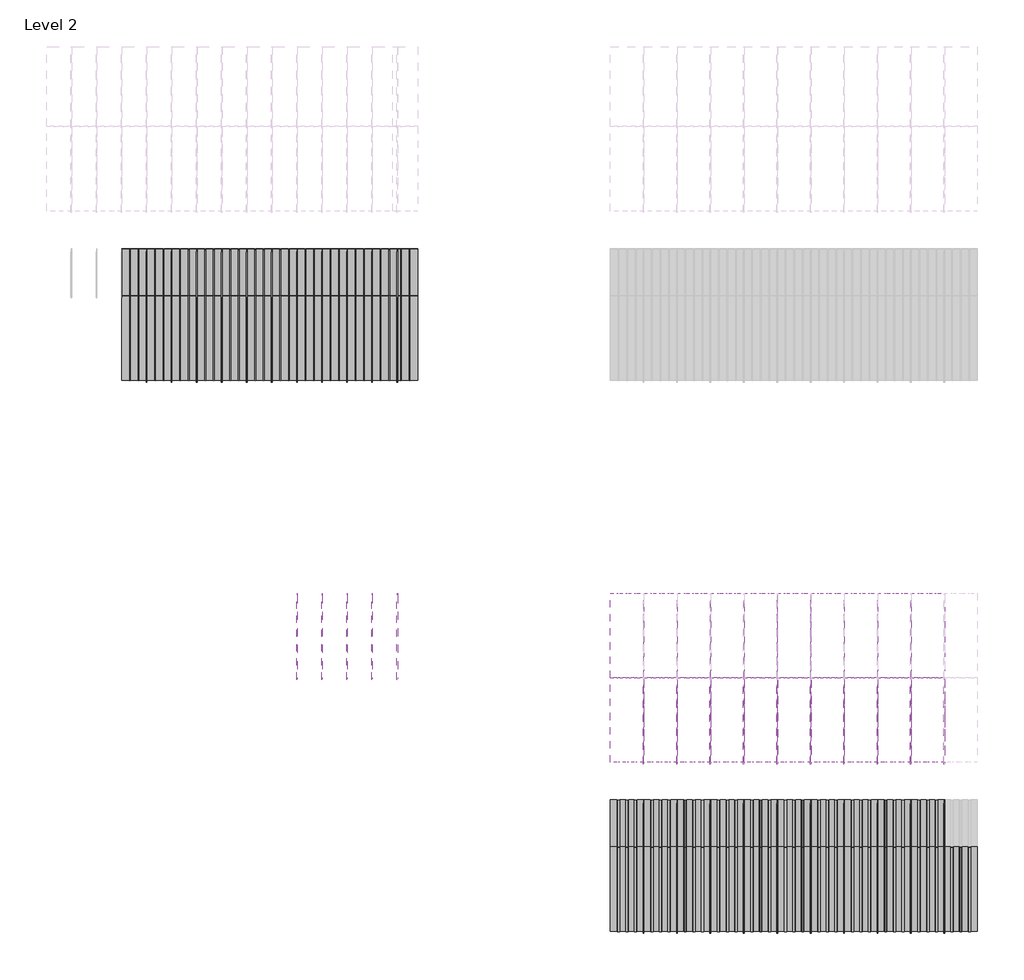
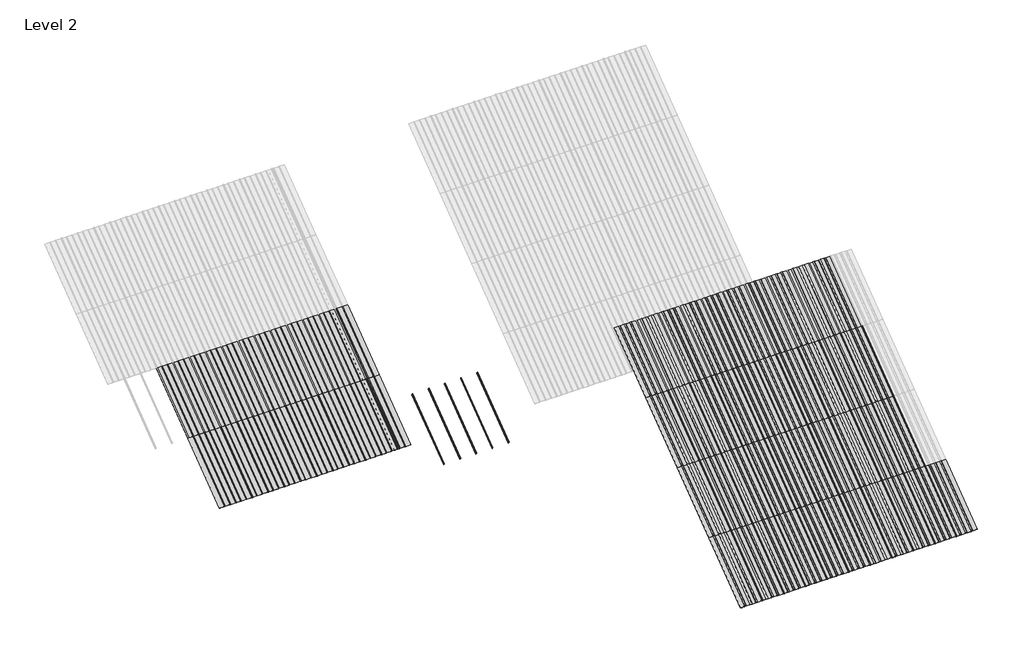
# One storey, part 6 of 113: 65 plates, 46 members.
"""IFC4 building model written with IfcOpenShell, lengths in millimetres."""

import ifcopenshell
import ifcopenshell.guid

model = None  # the IFC model being written
_history = None  # IfcOwnerHistory: only IFC2X3 demands one
_inside = {}  # id of a spatial element -> (the spatial element, [elements in it])
_under = {}  # id of a project, library or spatial element -> (it, [spatial elements below it])
_declared = {}  # id of a project -> (the project, [libraries it declares])
_typed = {}  # id of a type object -> (the type object, [elements of that type])
_made_of = {}  # id of a material, layer set ... -> (it, [elements and type objects made of it])


def new_model(schema):
    """Start an empty IFC model of exactly this schema.

    Asked for "IFC4X3", IfcOpenShell would pick the latest addendum, in which some entities
    have other attributes; the version numbers below select the first issue.
    IFC2X3 requires an IfcOwnerHistory on every rooted entity: one is made here for all.
    """
    global model, _history
    if schema == "IFC4X3":
        model = ifcopenshell.file(schema_version=(4, 3, 0, 0))
    else:
        model = ifcopenshell.file(schema=schema)
    _inside.clear()
    _under.clear()
    _declared.clear()
    _typed.clear()
    _made_of.clear()
    _history = None
    if model.schema == "IFC2X3":
        org = make("IfcOrganization", Name="unknown")
        user = make(
            "IfcPersonAndOrganization",
            ThePerson=make("IfcPerson", FamilyName="unknown"),
            TheOrganization=org,
        )
        app = make(
            "IfcApplication",
            ApplicationDeveloper=org,
            Version="unknown",
            ApplicationFullName="unknown",
            ApplicationIdentifier="unknown",
        )
        _history = make(
            "IfcOwnerHistory",
            OwningUser=user,
            OwningApplication=app,
            ChangeAction="ADDED",
            CreationDate=0,
        )
    return model


def make(cls, **values):
    """One entity of the class cls with the attributes given. An attribute that is None is left unset."""
    return model.create_entity(
        cls, **{name: value for name, value in values.items() if value is not None}
    )


def rooted(cls, **values):
    """An entity with a GlobalId (a new one), such as an element, a storey or a relation."""
    return make(cls, GlobalId=ifcopenshell.guid.new(), OwnerHistory=_history, **values)


def si_unit(unit_type, name, prefix=None):
    """IfcSIUnit, for example si_unit("LENGTHUNIT", "METRE", prefix="MILLI")."""
    return make("IfcSIUnit", UnitType=unit_type, Prefix=prefix, Name=name)


def assignment(units):
    """IfcUnitAssignment: the units of a project."""
    return None if units is None else make("IfcUnitAssignment", Units=units)


def point(xyz):
    """IfcCartesianPoint."""
    return None if xyz is None else make("IfcCartesianPoint", Coordinates=xyz)


def direction(xyz):
    """IfcDirection."""
    return None if xyz is None else make("IfcDirection", DirectionRatios=xyz)


def frame(location, z_axis=None, x_axis=None):
    """IfcAxis2Placement3D, a coordinate frame: its origin and axes. An axis left out is left unset."""
    return make(
        "IfcAxis2Placement3D",
        Location=point(location),
        Axis=direction(z_axis),
        RefDirection=direction(x_axis),
    )


def frame_2d(location, x_axis=None):
    """IfcAxis2Placement2D, a coordinate frame in the plane: its origin and x axis."""
    return make(
        "IfcAxis2Placement2D", Location=point(location), RefDirection=direction(x_axis)
    )


def origin():
    """The frame at (0, 0, 0) with its axes left unset."""
    return frame((0.0, 0.0, 0.0))


def origin_with_axes():
    """The frame at (0, 0, 0) with the z axis (0, 0, 1) and the x axis (1, 0, 0) written out."""
    return frame((0.0, 0.0, 0.0), z_axis=(0.0, 0.0, 1.0), x_axis=(1.0, 0.0, 0.0))


def place(relative_to, where):
    """IfcLocalPlacement: puts the frame where relative to a parent placement (None: the world)."""
    return make(
        "IfcLocalPlacement", PlacementRelTo=relative_to, RelativePlacement=where
    )


def context(
    kind, dimensions, precision=None, world=None, true_north=None, identifier=None
):
    """IfcGeometricRepresentationContext, for example the 3D "Model" context."""
    return make(
        "IfcGeometricRepresentationContext",
        ContextIdentifier=identifier,
        ContextType=kind,
        CoordinateSpaceDimension=dimensions,
        Precision=precision,
        WorldCoordinateSystem=world,
        TrueNorth=true_north,
    )


def project(units=None, contexts=None):
    """IfcProject with its units and contexts."""
    return rooted(
        "IfcProject",
        Name="project",
        RepresentationContexts=contexts,
        UnitsInContext=assignment(units),
    )


def spatial(cls, under=None, at=None, **own):
    """A site, building, storey or space (cls), placed at a placement, below another one or the project."""
    s = rooted(cls, ObjectPlacement=at, **own)
    if under is not None:
        _under.setdefault(under.id(), (under, []))[1].append(s)
    return s


def polyline(points):
    """IfcPolyline through the points."""
    return make("IfcPolyline", Points=[point(p) for p in points])


def circle_curve(where, radius):
    """IfcCircle in the frame where."""
    return make("IfcCircle", Position=where, Radius=radius)


def trimmed(basis, trim1, trim2, sense, master):
    """IfcTrimmedCurve: the piece of a basis curve between two trims."""
    return make(
        "IfcTrimmedCurve",
        BasisCurve=basis,
        Trim1=trim1,
        Trim2=trim2,
        SenseAgreement=sense,
        MasterRepresentation=master,
    )


def segment(curve, same_sense, transition):
    """IfcCompositeCurveSegment."""
    return make(
        "IfcCompositeCurveSegment",
        Transition=transition,
        SameSense=same_sense,
        ParentCurve=curve,
    )


def composite_curve(segments, self_intersect=None):
    """IfcCompositeCurve: segments joined end to end."""
    return make("IfcCompositeCurve", Segments=segments, SelfIntersect=self_intersect)


def outline(outer, holes=None, kind="AREA"):
    """IfcArbitraryClosedProfileDef: a profile drawn as a closed curve; with holes, ...WithVoids."""
    if holes is None:
        return make("IfcArbitraryClosedProfileDef", ProfileType=kind, OuterCurve=outer)
    return make(
        "IfcArbitraryProfileDefWithVoids",
        ProfileType=kind,
        OuterCurve=outer,
        InnerCurves=holes,
    )


def extrude(swept, where, along, depth):
    """IfcExtrudedAreaSolid: the profile swept, set in the frame where, extruded along a direction by depth."""
    return make(
        "IfcExtrudedAreaSolid",
        SweptArea=swept,
        Position=where,
        ExtrudedDirection=direction(along),
        Depth=depth,
    )


def shape(context_of_items, identifier, shape_type, items):
    """IfcShapeRepresentation: the items that make up one representation, for example the "Body"."""
    return make(
        "IfcShapeRepresentation",
        ContextOfItems=context_of_items,
        RepresentationIdentifier=identifier,
        RepresentationType=shape_type,
        Items=items,
    )


def source(mapping_origin, context_of_items, identifier, shape_type, items):
    """IfcRepresentationMap: a shape defined once, which mapped items show again and again."""
    return make(
        "IfcRepresentationMap",
        MappingOrigin=mapping_origin,
        MappedRepresentation=shape(context_of_items, identifier, shape_type, items),
    )


def transform(
    local_origin,
    x_axis=None,
    y_axis=None,
    z_axis=None,
    scale=None,
    scale2=None,
    scale3=None,
    uniform=True,
):
    """IfcCartesianTransformationOperator3D, or its non-uniform kind. x_axis, y_axis, z_axis: its Axis1, 2, 3."""
    if uniform:
        return make(
            "IfcCartesianTransformationOperator3D",
            Axis1=direction(x_axis),
            Axis2=direction(y_axis),
            LocalOrigin=point(local_origin),
            Scale=scale,
            Axis3=direction(z_axis),
        )
    return make(
        "IfcCartesianTransformationOperator3DnonUniform",
        Axis1=direction(x_axis),
        Axis2=direction(y_axis),
        LocalOrigin=point(local_origin),
        Scale=scale,
        Axis3=direction(z_axis),
        Scale2=scale2,
        Scale3=scale3,
    )


def mapped(mapping_source, mapping_target):
    """IfcMappedItem: shows the shape of a source again, moved by a transform."""
    return make(
        "IfcMappedItem", MappingSource=mapping_source, MappingTarget=mapping_target
    )


def made_of(thing, what):
    """Note that an element or type object is made of a material, layer set ...; save() writes the relation."""
    if what is not None:
        _made_of.setdefault(what.id(), (what, []))[1].append(thing)
    return thing


def element(
    cls,
    number,
    at=None,
    inside=None,
    cuts=None,
    type_object=None,
    material=None,
    context=None,
    identifier="Body",
    shape_type=None,
    held_by="IfcProductDefinitionShape",
    body=None,
    shapes=None,
    **own,
):
    """One element of the class cls, such as IfcWall. Its Tag is "e" and its number.

    at: its placement. inside: the storey or other place that contains it. cuts: it is an
    opening in that element (IfcRelVoidsElement). A single representation is given by context,
    identifier, shape_type and body (its items); several are given by shapes. held_by: the class
    of the entity that holds the representations. save() writes the other relations.
    """
    e = rooted(cls, Tag="e%d" % number, ObjectPlacement=at, **own)
    if body is not None:
        shapes = [shape(context, identifier, shape_type, body)]
    if shapes is not None:
        e.Representation = make(held_by, Representations=shapes)
    if inside is not None:
        _inside.setdefault(inside.id(), (inside, []))[1].append(e)
    if cuts is not None:
        rooted(
            "IfcRelVoidsElement", RelatingBuildingElement=cuts, RelatedOpeningElement=e
        )
    if type_object is not None:
        _typed.setdefault(type_object.id(), (type_object, []))[1].append(e)
    return made_of(e, material)


def aggregate(whole, parts):
    """IfcRelAggregates: a whole, such as a stair, and the parts it consists of."""
    return rooted("IfcRelAggregates", RelatingObject=whole, RelatedObjects=parts)


def save(model, path):
    """Write the relations noted so far, then the file.

    IfcRelAggregates (storeys below a building ...), IfcRelContainedInSpatialStructure (elements
    in a storey), IfcRelDefinesByType, IfcRelAssociatesMaterial and IfcRelDeclares: one each for
    every whole, place, type object, material and project.
    """
    for whole, parts in _under.values():
        aggregate(whole, parts)
    for where, things in _inside.values():
        rooted(
            "IfcRelContainedInSpatialStructure",
            RelatedElements=things,
            RelatingStructure=where,
        )
    for kind, things in _typed.values():
        rooted("IfcRelDefinesByType", RelatedObjects=things, RelatingType=kind)
    for what, things in _made_of.values():
        rooted("IfcRelAssociatesMaterial", RelatedObjects=things, RelatingMaterial=what)
    for by, libraries in _declared.values():
        rooted("IfcRelDeclares", RelatingContext=by, RelatedDefinitions=libraries)
    model.write(path)


def rectangular_mullion_707b4951(model_context):
    return source(origin(), model_context, "Body", "SweptSolid", [
        extrude(outline(composite_curve([segment(polyline([(-1.651, -33.918525), (-1.651, 0.396875), (1.778, 0.396875), (1.778, -36.458525)]), True, "CONTINUOUS"), segment(trimmed(circle_curve(frame_2d((-0.762, -36.458525)), 2.54), [point((1.778, -36.458525))], [point((-0.762, -38.998525))], False, "CARTESIAN"), True, "CONTINUOUS"), segment(polyline([(-0.762, -38.998525), (-5.207, -38.998525)]), True, "CONTINUOUS"), segment(trimmed(circle_curve(frame_2d((-5.207, -36.458525)), 2.54), [point((-5.207, -38.998525))], [point((-7.747, -36.458525))], False, "CARTESIAN"), True, "CONTINUOUS"), segment(polyline([(-7.747, -36.458525), (-7.747, -26.425525)]), True, "CONTINUOUS"), segment(trimmed(circle_curve(frame_2d((-5.207, -26.425525)), 2.54), [point((-7.747, -26.425525))], [point((-2.667, -26.425525))], False, "CARTESIAN"), True, "CONTINUOUS"), segment(polyline([(-2.667, -26.425525), (-2.667, -33.918525), (-1.651, -33.918525)]), True, "CONTINUOUS")], self_intersect=False)), frame((0.0, 0.0, -1285.875), z_axis=(0.0, 0.0, 1.0), x_axis=(1.0, 0.0, 0.0)), (0.0, 0.0, 1.0), 1285.875),
    ])


def plate_0_032_aluminium_91d3225e(model_context):
    return source(origin(), model_context, "Body", "SweptSolid", [
        extrude(outline(polyline([(-123.9800294, 0.8128), (-120.4316494, -2.73558), (-90.8914494, -2.73558), (-87.3430694, 0.8128), (-18.31848, 0.8128), (-14.7701, -2.73558), (14.7701, -2.73558), (18.31848, 0.8128), (85.75548, 0.8128), (89.30386, -2.73558), (118.84406, -2.73558), (122.39244, 0.8128), (203.2, 0.8128), (203.2, 0.0), (122.456147, 0.0), (118.907767, -3.54838), (89.240153, -3.54838), (85.691773, 0.0), (18.382187, 0.0), (14.833807, -3.54838), (-14.833807, -3.54838), (-18.382187, 0.0), (-87.2793624, 0.0), (-90.8277424, -3.54838), (-120.4953564, -3.54838), (-124.0437364, 0.0), (-203.2, 0.0), (-203.2, 0.8128), (-123.9800294, 0.8128)])), origin_with_axes(), (0.0, 0.0, 1.0), 1285.875),
    ])


def plate_0_032_aluminium_90081244(model_context):
    return source(origin(), model_context, "Body", "SweptSolid", [
        extrude(outline(composite_curve([segment(polyline([(-57.57418, 0.8128), (-57.57418, 0.0)]), True, "CONTINUOUS"), segment(trimmed(circle_curve(frame_2d((-52.03698, 0.0)), 5.5372), [point((-57.57418, 0.0))], [point((-46.49978, 0.0))], True, "CARTESIAN"), True, "CONTINUOUS"), segment(polyline([(-46.49978, 0.0), (-46.49978, 0.8128), (46.49978, 0.8128), (46.49978, 0.0)]), True, "CONTINUOUS"), segment(trimmed(circle_curve(frame_2d((52.03698, 0.0)), 5.5372), [point((46.49978, 0.0))], [point((57.57418, 0.0))], True, "CARTESIAN"), True, "CONTINUOUS"), segment(polyline([(57.57418, 0.0), (57.57418, 0.8128), (152.4, 0.8128), (152.4, 0.0), (58.38698, 0.0)]), True, "CONTINUOUS"), segment(trimmed(circle_curve(frame_2d((52.03698, 0.0)), 6.35), [point((58.38698, 0.0))], [point((45.68698, 0.0))], False, "CARTESIAN"), True, "CONTINUOUS"), segment(polyline([(45.68698, 0.0), (-45.68698, 0.0)]), True, "CONTINUOUS"), segment(trimmed(circle_curve(frame_2d((-52.03698, 0.0)), 6.35), [point((-45.68698, 0.0))], [point((-58.38698, 0.0))], False, "CARTESIAN"), True, "CONTINUOUS"), segment(polyline([(-58.38698, 0.0), (-152.4, 0.0), (-152.4, 0.8128), (-57.57418, 0.8128)]), True, "CONTINUOUS")], self_intersect=False)), origin_with_axes(), (0.0, 0.0, 1.0), 1285.875),
    ])


model = new_model("IFC4")

# Units and contexts
model_context = context("Model", 3, world=origin())
ifc_project = project(units=[si_unit("LENGTHUNIT", "METRE", prefix="MILLI")], contexts=[model_context])

# Site, building, storey
site = spatial("IfcSite", under=ifc_project)
building = spatial("IfcBuilding", under=site)
storey = spatial("IfcBuildingStorey", under=building, Name="Level 2", Elevation=3048.0)

# Members
placement = place(None, origin())
rectangular_mullion_shape = rectangular_mullion_707b4951(model_context)
element("IfcMember", 1, ObjectType="Rectangular Mullion", at=placement, inside=storey, context=model_context, shape_type="MappedRepresentation", body=[
    mapped(rectangular_mullion_shape, transform((-11944.0061584, 52371.5493114, 6134.1), x_axis=(1.0, 0.0, 0.0), y_axis=(0.0, 0.5999999999999946, -0.800000000000004), z_axis=(0.0, 0.800000000000004, 0.5999999999999946))),
])
element("IfcMember", 2, ObjectType="Rectangular Mullion", at=placement, inside=storey, context=model_context, shape_type="MappedRepresentation", body=[
    mapped(rectangular_mullion_shape, transform((-11639.2061584, 52371.5493114, 6134.1), x_axis=(1.0, 0.0, 0.0), y_axis=(0.0, 0.5999999999999946, -0.800000000000004), z_axis=(0.0, 0.800000000000004, 0.5999999999999946))),
])
element("IfcMember", 3, ObjectType="Rectangular Mullion", at=placement, inside=storey, context=model_context, shape_type="MappedRepresentation", body=[
    mapped(rectangular_mullion_shape, transform((-11334.4061584, 52371.5493114, 6134.1), x_axis=(1.0, 0.0, 0.0), y_axis=(0.0, 0.5999999999999946, -0.800000000000004), z_axis=(0.0, 0.800000000000004, 0.5999999999999946))),
])
element("IfcMember", 4, ObjectType="Rectangular Mullion", at=placement, inside=storey, context=model_context, shape_type="MappedRepresentation", body=[
    mapped(rectangular_mullion_shape, transform((-11029.6061584, 52371.5493114, 6134.1), x_axis=(1.0, 0.0, 0.0), y_axis=(0.0, 0.5999999999999946, -0.800000000000004), z_axis=(0.0, 0.800000000000004, 0.5999999999999946))),
])
element("IfcMember", 5, ObjectType="Rectangular Mullion", at=placement, inside=storey, context=model_context, shape_type="MappedRepresentation", body=[
    mapped(rectangular_mullion_shape, transform((-10724.8061584, 52371.5493114, 6134.1), x_axis=(1.0, 0.0, 0.0), y_axis=(0.0, 0.5999999999999946, -0.800000000000004), z_axis=(0.0, 0.800000000000004, 0.5999999999999946))),
])
element("IfcMember", 6, ObjectType="Rectangular Mullion", at=placement, inside=storey, context=model_context, shape_type="MappedRepresentation", body=[
    mapped(rectangular_mullion_shape, transform((-7727.6061584, 49285.4493114, 3819.525), x_axis=(1.0, 0.0, 0.0), y_axis=(0.0, 0.5999999999999939, -0.8000000000000047), z_axis=(0.0, 0.8000000000000047, 0.5999999999999939))),
])
element("IfcMember", 7, ObjectType="Rectangular Mullion", at=placement, inside=storey, context=model_context, shape_type="MappedRepresentation", body=[
    mapped(rectangular_mullion_shape, transform((-7321.2061584, 49285.4493114, 3819.525), x_axis=(1.0, 0.0, 0.0), y_axis=(0.0, 0.5999999999999939, -0.8000000000000047), z_axis=(0.0, 0.8000000000000047, 0.5999999999999939))),
])
element("IfcMember", 8, ObjectType="Rectangular Mullion", at=placement, inside=storey, context=model_context, shape_type="MappedRepresentation", body=[
    mapped(rectangular_mullion_shape, transform((-6914.8061584, 49285.4493114, 3819.525), x_axis=(1.0, 0.0, 0.0), y_axis=(0.0, 0.5999999999999939, -0.8000000000000047), z_axis=(0.0, 0.8000000000000047, 0.5999999999999939))),
])
element("IfcMember", 9, ObjectType="Rectangular Mullion", at=placement, inside=storey, context=model_context, shape_type="MappedRepresentation", body=[
    mapped(rectangular_mullion_shape, transform((-6508.4061584, 49285.4493114, 3819.525), x_axis=(1.0, 0.0, 0.0), y_axis=(0.0, 0.5999999999999939, -0.8000000000000047), z_axis=(0.0, 0.8000000000000047, 0.5999999999999939))),
])
element("IfcMember", 10, ObjectType="Rectangular Mullion", at=placement, inside=storey, context=model_context, shape_type="MappedRepresentation", body=[
    mapped(rectangular_mullion_shape, transform((-6102.0061584, 49285.4493114, 3819.525), x_axis=(1.0, 0.0, 0.0), y_axis=(0.0, 0.5999999999999939, -0.8000000000000047), z_axis=(0.0, 0.8000000000000047, 0.5999999999999939))),
])
element("IfcMember", 11, ObjectType="Rectangular Mullion", at=placement, inside=storey, context=model_context, shape_type="MappedRepresentation", body=[
    mapped(rectangular_mullion_shape, transform((-5695.6061584, 49285.4493114, 3819.525), x_axis=(1.0, 0.0, 0.0), y_axis=(0.0, 0.5999999999999939, -0.8000000000000047), z_axis=(0.0, 0.8000000000000047, 0.5999999999999939))),
])
element("IfcMember", 12, ObjectType="Rectangular Mullion", at=placement, inside=storey, context=model_context, shape_type="MappedRepresentation", body=[
    mapped(rectangular_mullion_shape, transform((-5289.2061584, 49285.4493114, 3819.525), x_axis=(1.0, 0.0, 0.0), y_axis=(0.0, 0.5999999999999939, -0.8000000000000047), z_axis=(0.0, 0.8000000000000047, 0.5999999999999939))),
])
element("IfcMember", 13, ObjectType="Rectangular Mullion", at=placement, inside=storey, context=model_context, shape_type="MappedRepresentation", body=[
    mapped(rectangular_mullion_shape, transform((-4882.8061584, 49285.4493114, 3819.525), x_axis=(1.0, 0.0, 0.0), y_axis=(0.0, 0.5999999999999939, -0.8000000000000047), z_axis=(0.0, 0.8000000000000047, 0.5999999999999939))),
])
element("IfcMember", 14, ObjectType="Rectangular Mullion", at=placement, inside=storey, context=model_context, shape_type="MappedRepresentation", body=[
    mapped(rectangular_mullion_shape, transform((-4476.4061584, 49285.4493114, 3819.525), x_axis=(1.0, 0.0, 0.0), y_axis=(0.0, 0.5999999999999939, -0.8000000000000047), z_axis=(0.0, 0.8000000000000047, 0.5999999999999939))),
])
element("IfcMember", 15, ObjectType="Rectangular Mullion", at=placement, inside=storey, context=model_context, shape_type="MappedRepresentation", body=[
    mapped(rectangular_mullion_shape, transform((-4070.0061584, 49285.4493114, 3819.525), x_axis=(1.0, 0.0, 0.0), y_axis=(0.0, 0.5999999999999939, -0.8000000000000047), z_axis=(0.0, 0.8000000000000047, 0.5999999999999939))),
])
element("IfcMember", 16, ObjectType="Rectangular Mullion", at=placement, inside=storey, context=model_context, shape_type="MappedRepresentation", body=[
    mapped(rectangular_mullion_shape, transform((-13772.8061584, 55990.5730614, 3819.525), x_axis=(1.0, 0.0, 0.0), y_axis=(0.0, 0.5999999999999939, -0.8000000000000047), z_axis=(0.0, 0.8000000000000047, 0.5999999999999939))),
])
element("IfcMember", 17, ObjectType="Rectangular Mullion", at=placement, inside=storey, context=model_context, shape_type="MappedRepresentation", body=[
    mapped(rectangular_mullion_shape, transform((-13468.0061584, 55990.5730614, 3819.525), x_axis=(1.0, 0.0, 0.0), y_axis=(0.0, 0.5999999999999939, -0.8000000000000047), z_axis=(0.0, 0.8000000000000047, 0.5999999999999939))),
])
element("IfcMember", 18, ObjectType="Rectangular Mullion", at=placement, inside=storey, context=model_context, shape_type="MappedRepresentation", body=[
    mapped(rectangular_mullion_shape, transform((-13163.2061584, 55990.5730614, 3819.525), x_axis=(1.0, 0.0, 0.0), y_axis=(0.0, 0.5999999999999939, -0.8000000000000047), z_axis=(0.0, 0.8000000000000047, 0.5999999999999939))),
])
element("IfcMember", 19, ObjectType="Rectangular Mullion", at=placement, inside=storey, context=model_context, shape_type="MappedRepresentation", body=[
    mapped(rectangular_mullion_shape, transform((-12858.4061584, 55990.5730614, 3819.525), x_axis=(1.0, 0.0, 0.0), y_axis=(0.0, 0.5999999999999939, -0.8000000000000047), z_axis=(0.0, 0.8000000000000047, 0.5999999999999939))),
])
element("IfcMember", 20, ObjectType="Rectangular Mullion", at=placement, inside=storey, context=model_context, shape_type="MappedRepresentation", body=[
    mapped(rectangular_mullion_shape, transform((-12553.6061584, 55990.5730614, 3819.525), x_axis=(1.0, 0.0, 0.0), y_axis=(0.0, 0.5999999999999939, -0.8000000000000047), z_axis=(0.0, 0.8000000000000047, 0.5999999999999939))),
])
element("IfcMember", 21, ObjectType="Rectangular Mullion", at=placement, inside=storey, context=model_context, shape_type="MappedRepresentation", body=[
    mapped(rectangular_mullion_shape, transform((-12248.8061584, 55990.5730614, 3819.525), x_axis=(1.0, 0.0, 0.0), y_axis=(0.0, 0.5999999999999939, -0.8000000000000047), z_axis=(0.0, 0.8000000000000047, 0.5999999999999939))),
])
element("IfcMember", 22, ObjectType="Rectangular Mullion", at=placement, inside=storey, context=model_context, shape_type="MappedRepresentation", body=[
    mapped(rectangular_mullion_shape, transform((-11944.0061584, 55990.5730614, 3819.525), x_axis=(1.0, 0.0, 0.0), y_axis=(0.0, 0.5999999999999939, -0.8000000000000047), z_axis=(0.0, 0.8000000000000047, 0.5999999999999939))),
])
element("IfcMember", 23, ObjectType="Rectangular Mullion", at=placement, inside=storey, context=model_context, shape_type="MappedRepresentation", body=[
    mapped(rectangular_mullion_shape, transform((-11639.2061584, 55990.5730614, 3819.525), x_axis=(1.0, 0.0, 0.0), y_axis=(0.0, 0.5999999999999939, -0.8000000000000047), z_axis=(0.0, 0.8000000000000047, 0.5999999999999939))),
])
element("IfcMember", 24, ObjectType="Rectangular Mullion", at=placement, inside=storey, context=model_context, shape_type="MappedRepresentation", body=[
    mapped(rectangular_mullion_shape, transform((-11334.4061584, 55990.5730614, 3819.525), x_axis=(1.0, 0.0, 0.0), y_axis=(0.0, 0.5999999999999939, -0.8000000000000047), z_axis=(0.0, 0.8000000000000047, 0.5999999999999939))),
])
element("IfcMember", 25, ObjectType="Rectangular Mullion", at=placement, inside=storey, context=model_context, shape_type="MappedRepresentation", body=[
    mapped(rectangular_mullion_shape, transform((-11029.6061584, 55990.5730614, 3819.525), x_axis=(1.0, 0.0, 0.0), y_axis=(0.0, 0.5999999999999939, -0.8000000000000047), z_axis=(0.0, 0.8000000000000047, 0.5999999999999939))),
])
element("IfcMember", 26, ObjectType="Rectangular Mullion", at=placement, inside=storey, context=model_context, shape_type="MappedRepresentation", body=[
    mapped(rectangular_mullion_shape, transform((-10724.8061584, 55990.5730614, 3819.525), x_axis=(1.0, 0.0, 0.0), y_axis=(0.0, 0.5999999999999939, -0.8000000000000047), z_axis=(0.0, 0.8000000000000047, 0.5999999999999939))),
])
element("IfcMember", 27, ObjectType="Rectangular Mullion", at=placement, inside=storey, context=model_context, shape_type="MappedRepresentation", body=[
    mapped(rectangular_mullion_shape, transform((-7727.6061584, 50314.1493114, 4591.05), x_axis=(1.0, 0.0, 0.0), y_axis=(0.0, 0.5999999999999946, -0.800000000000004), z_axis=(0.0, 0.800000000000004, 0.5999999999999946))),
])
element("IfcMember", 28, ObjectType="Rectangular Mullion", at=placement, inside=storey, context=model_context, shape_type="MappedRepresentation", body=[
    mapped(rectangular_mullion_shape, transform((-7321.2061584, 50314.1493114, 4591.05), x_axis=(1.0, 0.0, 0.0), y_axis=(0.0, 0.5999999999999946, -0.800000000000004), z_axis=(0.0, 0.800000000000004, 0.5999999999999946))),
])
element("IfcMember", 29, ObjectType="Rectangular Mullion", at=placement, inside=storey, context=model_context, shape_type="MappedRepresentation", body=[
    mapped(rectangular_mullion_shape, transform((-7727.6061584, 51342.8493114, 5362.575), x_axis=(1.0, 0.0, 0.0), y_axis=(0.0, 0.5999999999999946, -0.800000000000004), z_axis=(0.0, 0.800000000000004, 0.5999999999999946))),
])
element("IfcMember", 30, ObjectType="Rectangular Mullion", at=placement, inside=storey, context=model_context, shape_type="MappedRepresentation", body=[
    mapped(rectangular_mullion_shape, transform((-7321.2061584, 51342.8493114, 5362.575), x_axis=(1.0, 0.0, 0.0), y_axis=(0.0, 0.5999999999999946, -0.800000000000004), z_axis=(0.0, 0.800000000000004, 0.5999999999999946))),
])
element("IfcMember", 31, ObjectType="Rectangular Mullion", at=placement, inside=storey, context=model_context, shape_type="MappedRepresentation", body=[
    mapped(rectangular_mullion_shape, transform((-6914.8061584, 50314.1493114, 4591.05), x_axis=(1.0, 0.0, 0.0), y_axis=(0.0, 0.5999999999999946, -0.800000000000004), z_axis=(0.0, 0.800000000000004, 0.5999999999999946))),
])
element("IfcMember", 32, ObjectType="Rectangular Mullion", at=placement, inside=storey, context=model_context, shape_type="MappedRepresentation", body=[
    mapped(rectangular_mullion_shape, transform((-6508.4061584, 50314.1493114, 4591.05), x_axis=(1.0, 0.0, 0.0), y_axis=(0.0, 0.5999999999999946, -0.800000000000004), z_axis=(0.0, 0.800000000000004, 0.5999999999999946))),
])
element("IfcMember", 33, ObjectType="Rectangular Mullion", at=placement, inside=storey, context=model_context, shape_type="MappedRepresentation", body=[
    mapped(rectangular_mullion_shape, transform((-6102.0061584, 50314.1493114, 4591.05), x_axis=(1.0, 0.0, 0.0), y_axis=(0.0, 0.5999999999999946, -0.800000000000004), z_axis=(0.0, 0.800000000000004, 0.5999999999999946))),
])
element("IfcMember", 34, ObjectType="Rectangular Mullion", at=placement, inside=storey, context=model_context, shape_type="MappedRepresentation", body=[
    mapped(rectangular_mullion_shape, transform((-5695.6061584, 50314.1493114, 4591.05), x_axis=(1.0, 0.0, 0.0), y_axis=(0.0, 0.5999999999999946, -0.800000000000004), z_axis=(0.0, 0.800000000000004, 0.5999999999999946))),
])
element("IfcMember", 35, ObjectType="Rectangular Mullion", at=placement, inside=storey, context=model_context, shape_type="MappedRepresentation", body=[
    mapped(rectangular_mullion_shape, transform((-5289.2061584, 50314.1493114, 4591.05), x_axis=(1.0, 0.0, 0.0), y_axis=(0.0, 0.5999999999999946, -0.800000000000004), z_axis=(0.0, 0.800000000000004, 0.5999999999999946))),
])
element("IfcMember", 36, ObjectType="Rectangular Mullion", at=placement, inside=storey, context=model_context, shape_type="MappedRepresentation", body=[
    mapped(rectangular_mullion_shape, transform((-4882.8061584, 50314.1493114, 4591.05), x_axis=(1.0, 0.0, 0.0), y_axis=(0.0, 0.5999999999999946, -0.800000000000004), z_axis=(0.0, 0.800000000000004, 0.5999999999999946))),
])
element("IfcMember", 37, ObjectType="Rectangular Mullion", at=placement, inside=storey, context=model_context, shape_type="MappedRepresentation", body=[
    mapped(rectangular_mullion_shape, transform((-4476.4061584, 50314.1493114, 4591.05), x_axis=(1.0, 0.0, 0.0), y_axis=(0.0, 0.5999999999999949, -0.8000000000000038), z_axis=(0.0, 0.8000000000000038, 0.5999999999999949))),
])
element("IfcMember", 38, ObjectType="Rectangular Mullion", at=placement, inside=storey, context=model_context, shape_type="MappedRepresentation", body=[
    mapped(rectangular_mullion_shape, transform((-6914.8061584, 51342.8493114, 5362.575), x_axis=(1.0, 0.0, 0.0), y_axis=(0.0, 0.5999999999999946, -0.800000000000004), z_axis=(0.0, 0.800000000000004, 0.5999999999999946))),
])
element("IfcMember", 39, ObjectType="Rectangular Mullion", at=placement, inside=storey, context=model_context, shape_type="MappedRepresentation", body=[
    mapped(rectangular_mullion_shape, transform((-6508.4061584, 51342.8493114, 5362.575), x_axis=(1.0, 0.0, 0.0), y_axis=(0.0, 0.5999999999999946, -0.800000000000004), z_axis=(0.0, 0.800000000000004, 0.5999999999999946))),
])
element("IfcMember", 40, ObjectType="Rectangular Mullion", at=placement, inside=storey, context=model_context, shape_type="MappedRepresentation", body=[
    mapped(rectangular_mullion_shape, transform((-6102.0061584, 51342.8493114, 5362.575), x_axis=(1.0, 0.0, 0.0), y_axis=(0.0, 0.5999999999999946, -0.800000000000004), z_axis=(0.0, 0.800000000000004, 0.5999999999999946))),
])
element("IfcMember", 41, ObjectType="Rectangular Mullion", at=placement, inside=storey, context=model_context, shape_type="MappedRepresentation", body=[
    mapped(rectangular_mullion_shape, transform((-5695.6061584, 51342.8493114, 5362.575), x_axis=(1.0, 0.0, 0.0), y_axis=(0.0, 0.5999999999999946, -0.800000000000004), z_axis=(0.0, 0.800000000000004, 0.5999999999999946))),
])
element("IfcMember", 42, ObjectType="Rectangular Mullion", at=placement, inside=storey, context=model_context, shape_type="MappedRepresentation", body=[
    mapped(rectangular_mullion_shape, transform((-5289.2061584, 51342.8493114, 5362.575), x_axis=(1.0, 0.0, 0.0), y_axis=(0.0, 0.5999999999999946, -0.800000000000004), z_axis=(0.0, 0.800000000000004, 0.5999999999999946))),
])
element("IfcMember", 43, ObjectType="Rectangular Mullion", at=placement, inside=storey, context=model_context, shape_type="MappedRepresentation", body=[
    mapped(rectangular_mullion_shape, transform((-4882.8061584, 51342.8493114, 5362.575), x_axis=(1.0, 0.0, 0.0), y_axis=(0.0, 0.5999999999999946, -0.800000000000004), z_axis=(0.0, 0.800000000000004, 0.5999999999999946))),
])
element("IfcMember", 44, ObjectType="Rectangular Mullion", at=placement, inside=storey, context=model_context, shape_type="MappedRepresentation", body=[
    mapped(rectangular_mullion_shape, transform((-4476.4061584, 51342.8493114, 5362.575), x_axis=(1.0, 0.0, 0.0), y_axis=(0.0, 0.5999999999999939, -0.8000000000000047), z_axis=(0.0, 0.8000000000000047, 0.5999999999999939))),
])
element("IfcMember", 45, ObjectType="Rectangular Mullion", at=placement, inside=storey, context=model_context, shape_type="MappedRepresentation", body=[
    mapped(rectangular_mullion_shape, transform((-4070.0061584, 50314.1493114, 4591.05), x_axis=(1.0, 0.0, 0.0), y_axis=(0.0, 0.5999999999999949, -0.8000000000000038), z_axis=(0.0, 0.8000000000000038, 0.5999999999999949))),
])
element("IfcMember", 46, ObjectType="Rectangular Mullion", at=placement, inside=storey, context=model_context, shape_type="MappedRepresentation", body=[
    mapped(rectangular_mullion_shape, transform((-4070.0061584, 51342.8493114, 5362.575), x_axis=(1.0, 0.0, 0.0), y_axis=(0.0, 0.5999999999999939, -0.8000000000000047), z_axis=(0.0, 0.8000000000000047, 0.5999999999999939))),
])

# Plates
plate_0_032_aluminium_shape = plate_0_032_aluminium_91d3225e(model_context)
element("IfcPlate", 47, ObjectType="0.032 Aluminium", at=placement, inside=storey, context=model_context, shape_type="MappedRepresentation", body=[
    mapped(plate_0_032_aluminium_shape, transform((-7930.8061586, 48256.7493114, 3048.0), x_axis=(1.0, 0.0, 0.0), y_axis=(0.0, 0.5999999999999943, -0.8000000000000043), z_axis=(0.0, 0.8000000000000043, 0.5999999999999943))),
])
element("IfcPlate", 48, ObjectType="0.032 Aluminium", at=placement, inside=storey, context=model_context, shape_type="MappedRepresentation", body=[
    mapped(plate_0_032_aluminium_shape, transform((-7930.8061586, 49285.4493114, 3819.525), x_axis=(1.0, 0.0, 0.0), y_axis=(0.0, 0.5999999999999943, -0.8000000000000043), z_axis=(0.0, 0.8000000000000043, 0.5999999999999943))),
])
element("IfcPlate", 49, ObjectType="0.032 Aluminium", at=placement, inside=storey, context=model_context, shape_type="MappedRepresentation", body=[
    mapped(plate_0_032_aluminium_shape, transform((-7930.8061586, 50314.1493114, 4591.05), x_axis=(1.0, 0.0, 0.0), y_axis=(0.0, 0.5999999999999943, -0.8000000000000043), z_axis=(0.0, 0.8000000000000043, 0.5999999999999943))),
])
element("IfcPlate", 50, ObjectType="0.032 Aluminium", at=placement, inside=storey, context=model_context, shape_type="MappedRepresentation", body=[
    mapped(plate_0_032_aluminium_shape, transform((-7930.8061586, 51342.8493114, 5362.575), x_axis=(1.0, 0.0, 0.0), y_axis=(0.0, 0.5999999999999943, -0.8000000000000043), z_axis=(0.0, 0.8000000000000043, 0.5999999999999943))),
])
element("IfcPlate", 51, ObjectType="0.032 Aluminium", at=placement, inside=storey, context=model_context, shape_type="MappedRepresentation", body=[
    mapped(plate_0_032_aluminium_shape, transform((-7524.3426584, 48256.7493114, 3048.0), x_axis=(1.0, 0.0, 0.0), y_axis=(0.0, 0.5999999999999943, -0.8000000000000043), z_axis=(0.0, 0.8000000000000043, 0.5999999999999943))),
])
element("IfcPlate", 52, ObjectType="0.032 Aluminium", at=placement, inside=storey, context=model_context, shape_type="MappedRepresentation", body=[
    mapped(plate_0_032_aluminium_shape, transform((-7117.9426584, 48256.7493114, 3048.0), x_axis=(1.0, 0.0, 0.0), y_axis=(0.0, 0.5999999999999943, -0.8000000000000043), z_axis=(0.0, 0.8000000000000043, 0.5999999999999943))),
])
element("IfcPlate", 53, ObjectType="0.032 Aluminium", at=placement, inside=storey, context=model_context, shape_type="MappedRepresentation", body=[
    mapped(plate_0_032_aluminium_shape, transform((-7524.3426584, 49285.4493114, 3819.525), x_axis=(1.0, 0.0, 0.0), y_axis=(0.0, 0.5999999999999943, -0.8000000000000043), z_axis=(0.0, 0.8000000000000043, 0.5999999999999943))),
])
element("IfcPlate", 54, ObjectType="0.032 Aluminium", at=placement, inside=storey, context=model_context, shape_type="MappedRepresentation", body=[
    mapped(plate_0_032_aluminium_shape, transform((-7117.9426584, 49285.4493114, 3819.525), x_axis=(1.0, 0.0, 0.0), y_axis=(0.0, 0.5999999999999943, -0.8000000000000043), z_axis=(0.0, 0.8000000000000043, 0.5999999999999943))),
])
element("IfcPlate", 55, ObjectType="0.032 Aluminium", at=placement, inside=storey, context=model_context, shape_type="MappedRepresentation", body=[
    mapped(plate_0_032_aluminium_shape, transform((-7524.3426584, 50314.1493114, 4591.05), x_axis=(1.0, 0.0, 0.0), y_axis=(0.0, 0.5999999999999943, -0.8000000000000043), z_axis=(0.0, 0.8000000000000043, 0.5999999999999943))),
])
element("IfcPlate", 56, ObjectType="0.032 Aluminium", at=placement, inside=storey, context=model_context, shape_type="MappedRepresentation", body=[
    mapped(plate_0_032_aluminium_shape, transform((-7117.9426584, 50314.1493114, 4591.05), x_axis=(1.0, 0.0, 0.0), y_axis=(0.0, 0.5999999999999943, -0.8000000000000043), z_axis=(0.0, 0.8000000000000043, 0.5999999999999943))),
])
element("IfcPlate", 57, ObjectType="0.032 Aluminium", at=placement, inside=storey, context=model_context, shape_type="MappedRepresentation", body=[
    mapped(plate_0_032_aluminium_shape, transform((-7524.3426584, 51342.8493114, 5362.575), x_axis=(1.0, 0.0, 0.0), y_axis=(0.0, 0.5999999999999943, -0.8000000000000043), z_axis=(0.0, 0.8000000000000043, 0.5999999999999943))),
])
element("IfcPlate", 58, ObjectType="0.032 Aluminium", at=placement, inside=storey, context=model_context, shape_type="MappedRepresentation", body=[
    mapped(plate_0_032_aluminium_shape, transform((-7117.9426584, 51342.8493114, 5362.575), x_axis=(1.0, 0.0, 0.0), y_axis=(0.0, 0.5999999999999943, -0.8000000000000043), z_axis=(0.0, 0.8000000000000043, 0.5999999999999943))),
])
element("IfcPlate", 59, ObjectType="0.032 Aluminium", at=placement, inside=storey, context=model_context, shape_type="MappedRepresentation", body=[
    mapped(plate_0_032_aluminium_shape, transform((-6711.5426584, 48256.7493114, 3048.0), x_axis=(1.0, 0.0, 0.0), y_axis=(0.0, 0.5999999999999943, -0.8000000000000043), z_axis=(0.0, 0.8000000000000043, 0.5999999999999943))),
])
element("IfcPlate", 60, ObjectType="0.032 Aluminium", at=placement, inside=storey, context=model_context, shape_type="MappedRepresentation", body=[
    mapped(plate_0_032_aluminium_shape, transform((-6711.5426584, 49285.4493114, 3819.525), x_axis=(1.0, 0.0, 0.0), y_axis=(0.0, 0.5999999999999943, -0.8000000000000043), z_axis=(0.0, 0.8000000000000043, 0.5999999999999943))),
])
element("IfcPlate", 61, ObjectType="0.032 Aluminium", at=placement, inside=storey, context=model_context, shape_type="MappedRepresentation", body=[
    mapped(plate_0_032_aluminium_shape, transform((-6711.5426584, 50314.1493114, 4591.05), x_axis=(1.0, 0.0, 0.0), y_axis=(0.0, 0.5999999999999943, -0.8000000000000043), z_axis=(0.0, 0.8000000000000043, 0.5999999999999943))),
])
element("IfcPlate", 62, ObjectType="0.032 Aluminium", at=placement, inside=storey, context=model_context, shape_type="MappedRepresentation", body=[
    mapped(plate_0_032_aluminium_shape, transform((-6711.5426584, 51342.8493114, 5362.575), x_axis=(1.0, 0.0, 0.0), y_axis=(0.0, 0.5999999999999943, -0.8000000000000043), z_axis=(0.0, 0.8000000000000043, 0.5999999999999943))),
])
element("IfcPlate", 63, ObjectType="0.032 Aluminium", at=placement, inside=storey, context=model_context, shape_type="MappedRepresentation", body=[
    mapped(plate_0_032_aluminium_shape, transform((-6305.1426584, 48256.7493114, 3048.0), x_axis=(1.0, 0.0, 0.0), y_axis=(0.0, 0.5999999999999943, -0.8000000000000043), z_axis=(0.0, 0.8000000000000043, 0.5999999999999943))),
])
element("IfcPlate", 64, ObjectType="0.032 Aluminium", at=placement, inside=storey, context=model_context, shape_type="MappedRepresentation", body=[
    mapped(plate_0_032_aluminium_shape, transform((-6305.1426584, 49285.4493114, 3819.525), x_axis=(1.0, 0.0, 0.0), y_axis=(0.0, 0.5999999999999943, -0.8000000000000043), z_axis=(0.0, 0.8000000000000043, 0.5999999999999943))),
])
element("IfcPlate", 65, ObjectType="0.032 Aluminium", at=placement, inside=storey, context=model_context, shape_type="MappedRepresentation", body=[
    mapped(plate_0_032_aluminium_shape, transform((-6305.1426584, 50314.1493114, 4591.05), x_axis=(1.0, 0.0, 0.0), y_axis=(0.0, 0.5999999999999943, -0.8000000000000043), z_axis=(0.0, 0.8000000000000043, 0.5999999999999943))),
])
element("IfcPlate", 66, ObjectType="0.032 Aluminium", at=placement, inside=storey, context=model_context, shape_type="MappedRepresentation", body=[
    mapped(plate_0_032_aluminium_shape, transform((-6305.1426584, 51342.8493114, 5362.575), x_axis=(1.0, 0.0, 0.0), y_axis=(0.0, 0.5999999999999943, -0.8000000000000043), z_axis=(0.0, 0.8000000000000043, 0.5999999999999943))),
])
element("IfcPlate", 67, ObjectType="0.032 Aluminium", at=placement, inside=storey, context=model_context, shape_type="MappedRepresentation", body=[
    mapped(plate_0_032_aluminium_shape, transform((-5898.7426584, 48256.7493114, 3048.0), x_axis=(1.0, 0.0, 0.0), y_axis=(0.0, 0.5999999999999943, -0.8000000000000043), z_axis=(0.0, 0.8000000000000043, 0.5999999999999943))),
])
element("IfcPlate", 68, ObjectType="0.032 Aluminium", at=placement, inside=storey, context=model_context, shape_type="MappedRepresentation", body=[
    mapped(plate_0_032_aluminium_shape, transform((-5898.7426584, 49285.4493114, 3819.525), x_axis=(1.0, 0.0, 0.0), y_axis=(0.0, 0.5999999999999943, -0.8000000000000043), z_axis=(0.0, 0.8000000000000043, 0.5999999999999943))),
])
element("IfcPlate", 69, ObjectType="0.032 Aluminium", at=placement, inside=storey, context=model_context, shape_type="MappedRepresentation", body=[
    mapped(plate_0_032_aluminium_shape, transform((-5898.7426584, 50314.1493114, 4591.05), x_axis=(1.0, 0.0, 0.0), y_axis=(0.0, 0.5999999999999943, -0.8000000000000043), z_axis=(0.0, 0.8000000000000043, 0.5999999999999943))),
])
element("IfcPlate", 70, ObjectType="0.032 Aluminium", at=placement, inside=storey, context=model_context, shape_type="MappedRepresentation", body=[
    mapped(plate_0_032_aluminium_shape, transform((-5898.7426584, 51342.8493114, 5362.575), x_axis=(1.0, 0.0, 0.0), y_axis=(0.0, 0.5999999999999943, -0.8000000000000043), z_axis=(0.0, 0.8000000000000043, 0.5999999999999943))),
])
element("IfcPlate", 71, ObjectType="0.032 Aluminium", at=placement, inside=storey, context=model_context, shape_type="MappedRepresentation", body=[
    mapped(plate_0_032_aluminium_shape, transform((-5492.3426584, 48256.7493114, 3048.0), x_axis=(1.0, 0.0, 0.0), y_axis=(0.0, 0.5999999999999943, -0.8000000000000043), z_axis=(0.0, 0.8000000000000043, 0.5999999999999943))),
])
element("IfcPlate", 72, ObjectType="0.032 Aluminium", at=placement, inside=storey, context=model_context, shape_type="MappedRepresentation", body=[
    mapped(plate_0_032_aluminium_shape, transform((-5492.3426584, 49285.4493114, 3819.525), x_axis=(1.0, 0.0, 0.0), y_axis=(0.0, 0.5999999999999943, -0.8000000000000043), z_axis=(0.0, 0.8000000000000043, 0.5999999999999943))),
])
element("IfcPlate", 73, ObjectType="0.032 Aluminium", at=placement, inside=storey, context=model_context, shape_type="MappedRepresentation", body=[
    mapped(plate_0_032_aluminium_shape, transform((-5492.3426584, 50314.1493114, 4591.05), x_axis=(1.0, 0.0, 0.0), y_axis=(0.0, 0.5999999999999943, -0.8000000000000043), z_axis=(0.0, 0.8000000000000043, 0.5999999999999943))),
])
element("IfcPlate", 74, ObjectType="0.032 Aluminium", at=placement, inside=storey, context=model_context, shape_type="MappedRepresentation", body=[
    mapped(plate_0_032_aluminium_shape, transform((-5492.3426584, 51342.8493114, 5362.575), x_axis=(1.0, 0.0, 0.0), y_axis=(0.0, 0.5999999999999943, -0.8000000000000043), z_axis=(0.0, 0.8000000000000043, 0.5999999999999943))),
])
element("IfcPlate", 75, ObjectType="0.032 Aluminium", at=placement, inside=storey, context=model_context, shape_type="MappedRepresentation", body=[
    mapped(plate_0_032_aluminium_shape, transform((-5085.9426584, 48256.7493114, 3048.0), x_axis=(1.0, 0.0, 0.0), y_axis=(0.0, 0.5999999999999943, -0.8000000000000043), z_axis=(0.0, 0.8000000000000043, 0.5999999999999943))),
])
element("IfcPlate", 76, ObjectType="0.032 Aluminium", at=placement, inside=storey, context=model_context, shape_type="MappedRepresentation", body=[
    mapped(plate_0_032_aluminium_shape, transform((-5085.9426584, 49285.4493114, 3819.525), x_axis=(1.0, 0.0, 0.0), y_axis=(0.0, 0.5999999999999943, -0.8000000000000043), z_axis=(0.0, 0.8000000000000043, 0.5999999999999943))),
])
element("IfcPlate", 77, ObjectType="0.032 Aluminium", at=placement, inside=storey, context=model_context, shape_type="MappedRepresentation", body=[
    mapped(plate_0_032_aluminium_shape, transform((-5085.9426584, 50314.1493114, 4591.05), x_axis=(1.0, 0.0, 0.0), y_axis=(0.0, 0.5999999999999943, -0.8000000000000043), z_axis=(0.0, 0.8000000000000043, 0.5999999999999943))),
])
element("IfcPlate", 78, ObjectType="0.032 Aluminium", at=placement, inside=storey, context=model_context, shape_type="MappedRepresentation", body=[
    mapped(plate_0_032_aluminium_shape, transform((-5085.9426584, 51342.8493114, 5362.575), x_axis=(1.0, 0.0, 0.0), y_axis=(0.0, 0.5999999999999943, -0.8000000000000043), z_axis=(0.0, 0.8000000000000043, 0.5999999999999943))),
])
element("IfcPlate", 79, ObjectType="0.032 Aluminium", at=placement, inside=storey, context=model_context, shape_type="MappedRepresentation", body=[
    mapped(plate_0_032_aluminium_shape, transform((-4679.5426584, 48256.7493114, 3048.0), x_axis=(1.0, 0.0, 0.0), y_axis=(0.0, 0.5999999999999943, -0.8000000000000043), z_axis=(0.0, 0.8000000000000043, 0.5999999999999943))),
])
element("IfcPlate", 80, ObjectType="0.032 Aluminium", at=placement, inside=storey, context=model_context, shape_type="MappedRepresentation", body=[
    mapped(plate_0_032_aluminium_shape, transform((-4679.5426584, 49285.4493114, 3819.525), x_axis=(1.0, 0.0, 0.0), y_axis=(0.0, 0.5999999999999943, -0.8000000000000043), z_axis=(0.0, 0.8000000000000043, 0.5999999999999943))),
])
element("IfcPlate", 81, ObjectType="0.032 Aluminium", at=placement, inside=storey, context=model_context, shape_type="MappedRepresentation", body=[
    mapped(plate_0_032_aluminium_shape, transform((-4679.5426584, 50314.1493114, 4591.05), x_axis=(1.0, 0.0, 0.0), y_axis=(0.0, 0.5999999999999943, -0.8000000000000043), z_axis=(0.0, 0.8000000000000043, 0.5999999999999943))),
])
element("IfcPlate", 82, ObjectType="0.032 Aluminium", at=placement, inside=storey, context=model_context, shape_type="MappedRepresentation", body=[
    mapped(plate_0_032_aluminium_shape, transform((-4679.5426584, 51342.8493114, 5362.575), x_axis=(1.0, 0.0, 0.0), y_axis=(0.0, 0.5999999999999943, -0.8000000000000043), z_axis=(0.0, 0.8000000000000043, 0.5999999999999943))),
])
element("IfcPlate", 83, ObjectType="0.032 Aluminium", at=placement, inside=storey, context=model_context, shape_type="MappedRepresentation", body=[
    mapped(plate_0_032_aluminium_shape, transform((-4273.1426584, 48256.7493114, 3048.0), x_axis=(1.0, 0.0, 0.0), y_axis=(0.0, 0.5999999999999943, -0.8000000000000043), z_axis=(0.0, 0.8000000000000043, 0.5999999999999943))),
])
element("IfcPlate", 84, ObjectType="0.032 Aluminium", at=placement, inside=storey, context=model_context, shape_type="MappedRepresentation", body=[
    mapped(plate_0_032_aluminium_shape, transform((-4273.1426584, 49285.4493114, 3819.525), x_axis=(1.0, 0.0, 0.0), y_axis=(0.0, 0.5999999999999943, -0.8000000000000043), z_axis=(0.0, 0.8000000000000043, 0.5999999999999943))),
])
element("IfcPlate", 85, ObjectType="0.032 Aluminium", at=placement, inside=storey, context=model_context, shape_type="MappedRepresentation", body=[
    mapped(plate_0_032_aluminium_shape, transform((-4273.1426584, 50314.1493114, 4591.05), x_axis=(1.0, 0.0, 0.0), y_axis=(0.0, 0.5999999999999943, -0.8000000000000043), z_axis=(0.0, 0.8000000000000043, 0.5999999999999943))),
])
element("IfcPlate", 86, ObjectType="0.032 Aluminium", at=placement, inside=storey, context=model_context, shape_type="MappedRepresentation", body=[
    mapped(plate_0_032_aluminium_shape, transform((-4273.1426584, 51342.8493114, 5362.575), x_axis=(1.0, 0.0, 0.0), y_axis=(0.0, 0.5999999999999943, -0.8000000000000043), z_axis=(0.0, 0.8000000000000043, 0.5999999999999943))),
])
element("IfcPlate", 87, ObjectType="0.032 Aluminium", at=placement, inside=storey, context=model_context, shape_type="MappedRepresentation", body=[
    mapped(plate_0_032_aluminium_shape, transform((-3872.7116584, 48256.7493114, 3048.0), x_axis=(1.0, 0.0, 0.0), y_axis=(0.0, 0.5999999999999943, -0.8000000000000043), z_axis=(0.0, 0.8000000000000043, 0.5999999999999943))),
])
plate_0_032_aluminium_2_shape = plate_0_032_aluminium_90081244(model_context)
element("IfcPlate", 88, ObjectType="0.032 Aluminium", at=placement, inside=storey, context=model_context, shape_type="MappedRepresentation", body=[
    mapped(plate_0_032_aluminium_2_shape, transform((-13925.1426584, 54961.8730614, 3048.0), x_axis=(1.0, 0.0, 0.0), y_axis=(0.0, 0.5999999999999943, -0.8000000000000043), z_axis=(0.0, 0.8000000000000043, 0.5999999999999943))),
])
element("IfcPlate", 89, ObjectType="0.032 Aluminium", at=placement, inside=storey, context=model_context, shape_type="MappedRepresentation", body=[
    mapped(plate_0_032_aluminium_2_shape, transform((-13925.1426584, 55990.5730614, 3819.525), x_axis=(1.0, 0.0, 0.0), y_axis=(0.0, 0.5999999999999943, -0.8000000000000043), z_axis=(0.0, 0.8000000000000043, 0.5999999999999943))),
])
element("IfcPlate", 90, ObjectType="0.032 Aluminium", at=placement, inside=storey, context=model_context, shape_type="MappedRepresentation", body=[
    mapped(plate_0_032_aluminium_2_shape, transform((-13620.3426584, 54961.8730614, 3048.0), x_axis=(1.0, 0.0, 0.0), y_axis=(0.0, 0.5999999999999943, -0.8000000000000043), z_axis=(0.0, 0.8000000000000043, 0.5999999999999943))),
])
element("IfcPlate", 91, ObjectType="0.032 Aluminium", at=placement, inside=storey, context=model_context, shape_type="MappedRepresentation", body=[
    mapped(plate_0_032_aluminium_2_shape, transform((-13620.3426584, 55990.5730614, 3819.525), x_axis=(1.0, 0.0, 0.0), y_axis=(0.0, 0.5999999999999943, -0.8000000000000043), z_axis=(0.0, 0.8000000000000043, 0.5999999999999943))),
])
element("IfcPlate", 92, ObjectType="0.032 Aluminium", at=placement, inside=storey, context=model_context, shape_type="MappedRepresentation", body=[
    mapped(plate_0_032_aluminium_2_shape, transform((-13315.5426584, 54961.8730614, 3048.0), x_axis=(1.0, 0.0, 0.0), y_axis=(0.0, 0.5999999999999943, -0.8000000000000043), z_axis=(0.0, 0.8000000000000043, 0.5999999999999943))),
])
element("IfcPlate", 93, ObjectType="0.032 Aluminium", at=placement, inside=storey, context=model_context, shape_type="MappedRepresentation", body=[
    mapped(plate_0_032_aluminium_2_shape, transform((-13315.5426584, 55990.5730614, 3819.525), x_axis=(1.0, 0.0, 0.0), y_axis=(0.0, 0.5999999999999943, -0.8000000000000043), z_axis=(0.0, 0.8000000000000043, 0.5999999999999943))),
])
element("IfcPlate", 94, ObjectType="0.032 Aluminium", at=placement, inside=storey, context=model_context, shape_type="MappedRepresentation", body=[
    mapped(plate_0_032_aluminium_2_shape, transform((-13010.7426584, 54961.8730614, 3048.0), x_axis=(1.0, 0.0, 0.0), y_axis=(0.0, 0.5999999999999943, -0.8000000000000043), z_axis=(0.0, 0.8000000000000043, 0.5999999999999943))),
])
element("IfcPlate", 95, ObjectType="0.032 Aluminium", at=placement, inside=storey, context=model_context, shape_type="MappedRepresentation", body=[
    mapped(plate_0_032_aluminium_2_shape, transform((-13010.7426584, 55990.5730614, 3819.525), x_axis=(1.0, 0.0, 0.0), y_axis=(0.0, 0.5999999999999943, -0.8000000000000043), z_axis=(0.0, 0.8000000000000043, 0.5999999999999943))),
])
element("IfcPlate", 96, ObjectType="0.032 Aluminium", at=placement, inside=storey, context=model_context, shape_type="MappedRepresentation", body=[
    mapped(plate_0_032_aluminium_2_shape, transform((-12705.9426584, 54961.8730614, 3048.0), x_axis=(1.0, 0.0, 0.0), y_axis=(0.0, 0.5999999999999943, -0.8000000000000043), z_axis=(0.0, 0.8000000000000043, 0.5999999999999943))),
])
element("IfcPlate", 97, ObjectType="0.032 Aluminium", at=placement, inside=storey, context=model_context, shape_type="MappedRepresentation", body=[
    mapped(plate_0_032_aluminium_2_shape, transform((-12705.9426584, 55990.5730614, 3819.525), x_axis=(1.0, 0.0, 0.0), y_axis=(0.0, 0.5999999999999943, -0.8000000000000043), z_axis=(0.0, 0.8000000000000043, 0.5999999999999943))),
])
element("IfcPlate", 98, ObjectType="0.032 Aluminium", at=placement, inside=storey, context=model_context, shape_type="MappedRepresentation", body=[
    mapped(plate_0_032_aluminium_2_shape, transform((-12401.1426584, 54961.8730614, 3048.0), x_axis=(1.0, 0.0, 0.0), y_axis=(0.0, 0.5999999999999943, -0.8000000000000043), z_axis=(0.0, 0.8000000000000043, 0.5999999999999943))),
])
element("IfcPlate", 99, ObjectType="0.032 Aluminium", at=placement, inside=storey, context=model_context, shape_type="MappedRepresentation", body=[
    mapped(plate_0_032_aluminium_2_shape, transform((-12401.1426584, 55990.5730614, 3819.525), x_axis=(1.0, 0.0, 0.0), y_axis=(0.0, 0.5999999999999943, -0.8000000000000043), z_axis=(0.0, 0.8000000000000043, 0.5999999999999943))),
])
element("IfcPlate", 100, ObjectType="0.032 Aluminium", at=placement, inside=storey, context=model_context, shape_type="MappedRepresentation", body=[
    mapped(plate_0_032_aluminium_2_shape, transform((-12096.3426584, 54961.8730614, 3048.0), x_axis=(1.0, 0.0, 0.0), y_axis=(0.0, 0.5999999999999943, -0.8000000000000043), z_axis=(0.0, 0.8000000000000043, 0.5999999999999943))),
])
element("IfcPlate", 101, ObjectType="0.032 Aluminium", at=placement, inside=storey, context=model_context, shape_type="MappedRepresentation", body=[
    mapped(plate_0_032_aluminium_2_shape, transform((-12096.3426584, 55990.5730614, 3819.525), x_axis=(1.0, 0.0, 0.0), y_axis=(0.0, 0.5999999999999943, -0.8000000000000043), z_axis=(0.0, 0.8000000000000043, 0.5999999999999943))),
])
element("IfcPlate", 102, ObjectType="0.032 Aluminium", at=placement, inside=storey, context=model_context, shape_type="MappedRepresentation", body=[
    mapped(plate_0_032_aluminium_2_shape, transform((-11791.5426584, 54961.8730614, 3048.0), x_axis=(1.0, 0.0, 0.0), y_axis=(0.0, 0.5999999999999943, -0.8000000000000043), z_axis=(0.0, 0.8000000000000043, 0.5999999999999943))),
])
element("IfcPlate", 103, ObjectType="0.032 Aluminium", at=placement, inside=storey, context=model_context, shape_type="MappedRepresentation", body=[
    mapped(plate_0_032_aluminium_2_shape, transform((-11791.5426584, 55990.5730614, 3819.525), x_axis=(1.0, 0.0, 0.0), y_axis=(0.0, 0.5999999999999943, -0.8000000000000043), z_axis=(0.0, 0.8000000000000043, 0.5999999999999943))),
])
element("IfcPlate", 104, ObjectType="0.032 Aluminium", at=placement, inside=storey, context=model_context, shape_type="MappedRepresentation", body=[
    mapped(plate_0_032_aluminium_2_shape, transform((-11486.7426584, 54961.8730614, 3048.0), x_axis=(1.0, 0.0, 0.0), y_axis=(0.0, 0.5999999999999943, -0.8000000000000043), z_axis=(0.0, 0.8000000000000043, 0.5999999999999943))),
])
element("IfcPlate", 105, ObjectType="0.032 Aluminium", at=placement, inside=storey, context=model_context, shape_type="MappedRepresentation", body=[
    mapped(plate_0_032_aluminium_2_shape, transform((-11486.7426584, 55990.5730614, 3819.525), x_axis=(1.0, 0.0, 0.0), y_axis=(0.0, 0.5999999999999943, -0.8000000000000043), z_axis=(0.0, 0.8000000000000043, 0.5999999999999943))),
])
element("IfcPlate", 106, ObjectType="0.032 Aluminium", at=placement, inside=storey, context=model_context, shape_type="MappedRepresentation", body=[
    mapped(plate_0_032_aluminium_2_shape, transform((-11181.9426584, 54961.8730614, 3048.0), x_axis=(1.0, 0.0, 0.0), y_axis=(0.0, 0.5999999999999943, -0.8000000000000043), z_axis=(0.0, 0.8000000000000043, 0.5999999999999943))),
])
element("IfcPlate", 107, ObjectType="0.032 Aluminium", at=placement, inside=storey, context=model_context, shape_type="MappedRepresentation", body=[
    mapped(plate_0_032_aluminium_2_shape, transform((-11181.9426584, 55990.5730614, 3819.525), x_axis=(1.0, 0.0, 0.0), y_axis=(0.0, 0.5999999999999943, -0.8000000000000043), z_axis=(0.0, 0.8000000000000043, 0.5999999999999943))),
])
element("IfcPlate", 108, ObjectType="0.032 Aluminium", at=placement, inside=storey, context=model_context, shape_type="MappedRepresentation", body=[
    mapped(plate_0_032_aluminium_2_shape, transform((-10877.1426584, 54961.8730614, 3048.0), x_axis=(1.0, 0.0, 0.0), y_axis=(0.0, 0.5999999999999943, -0.8000000000000043), z_axis=(0.0, 0.8000000000000043, 0.5999999999999943))),
])
element("IfcPlate", 109, ObjectType="0.032 Aluminium", at=placement, inside=storey, context=model_context, shape_type="MappedRepresentation", body=[
    mapped(plate_0_032_aluminium_2_shape, transform((-10877.1426584, 55990.5730614, 3819.525), x_axis=(1.0, 0.0, 0.0), y_axis=(0.0, 0.5999999999999943, -0.8000000000000043), z_axis=(0.0, 0.8000000000000043, 0.5999999999999943))),
])
element("IfcPlate", 110, ObjectType="0.032 Aluminium", at=placement, inside=storey, context=model_context, shape_type="MappedRepresentation", body=[
    mapped(plate_0_032_aluminium_2_shape, transform((-10629.1116584, 54961.8730614, 3048.0), x_axis=(1.0, 0.0, 0.0), y_axis=(0.0, 0.5999999999999943, -0.8000000000000043), z_axis=(0.0, 0.8000000000000043, 0.5999999999999943))),
])
element("IfcPlate", 111, ObjectType="0.032 Aluminium", at=placement, inside=storey, context=model_context, shape_type="MappedRepresentation", body=[
    mapped(plate_0_032_aluminium_2_shape, transform((-10629.1116584, 55990.5730614, 3819.525), x_axis=(1.0, 0.0, 0.0), y_axis=(0.0, 0.5999999999999943, -0.8000000000000043), z_axis=(0.0, 0.8000000000000043, 0.5999999999999943))),
])

save(model, "model.ifc")
